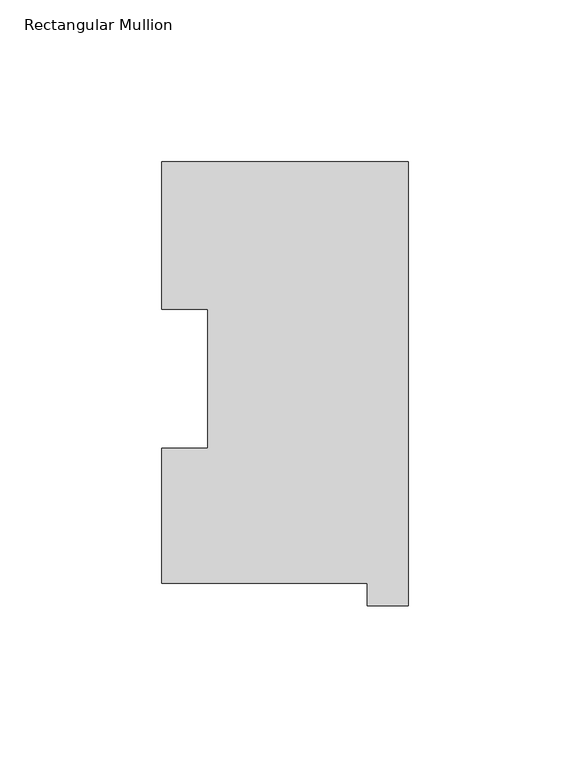
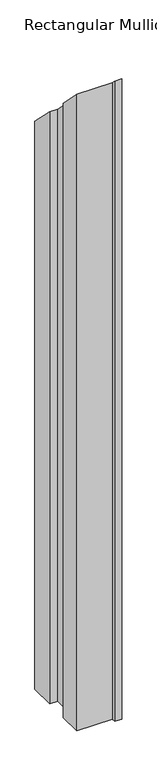
"""IFC4 building model written with IfcOpenShell, lengths in millimetres: member geometry, Rectangular Mullion."""

from ifc_helpers import new_model, si_unit, origin, place, context, project, spatial, faceted_brep, source, transform, mapped, element, save


def rectangular_mullion_71434218(model_context):
    return source(origin(), model_context, "Body", "Brep", [
        faceted_brep([(-76.2, 130.56235, -1206.50635), (0.0, 130.56235, -1206.50635), (0.0, -6.64845, -1206.50635), (-12.7, -6.64845, -1206.50635), (-12.7, 0.26035, -1206.50635), (-76.2, 0.26035, -1206.50635), (-76.2, 42.0485036, -1206.50635), (-61.9101579, 42.0485036, -1206.50635), (-61.9101579, 84.93125, -1206.50635), (-76.2, 84.93125, -1206.50635), (-76.2, 84.93125, -84.93125), (-76.2, 130.56235, -130.56235), (-61.9101579, 84.93125, -84.93125), (-61.9101579, 42.0485036, -42.0485036), (-76.2, 42.0485036, -42.0485036), (-76.2, 0.26035, -0.26035), (-12.7, 0.26035, -0.26035), (-12.7, -6.64845, 6.64845), (0.0, -6.64845, 6.64845), (0.0, 130.56235, -130.56235)], [[[0, 1, 2, 3, 4, 5, 6, 7, 8, 9]], [[10, 11, 0, 9]], [[12, 10, 9, 8]], [[13, 12, 8, 7]], [[14, 13, 7, 6]], [[15, 14, 6, 5]], [[16, 15, 5, 4]], [[17, 16, 4, 3]], [[18, 17, 3, 2]], [[19, 18, 2, 1]], [[11, 19, 1, 0]], [[11, 10, 12, 13, 14, 15, 16, 17, 18, 19]]]),
    ])


if __name__ == "__main__":
    model = new_model("IFC4")
    model_context = context("Model", 3, world=origin())
    ifc_project = project(units=[si_unit("LENGTHUNIT", "METRE", prefix="MILLI")], contexts=[model_context])
    site = spatial("IfcSite", under=ifc_project)
    building = spatial("IfcBuilding", under=site)
    placement = place(None, origin())
    rectangular_mullion_shape = rectangular_mullion_71434218(model_context)
    element("IfcMember", 1, ObjectType="Rectangular Mullion", at=placement, inside=building, context=model_context, shape_type="MappedRepresentation", body=[
        mapped(rectangular_mullion_shape, transform((0.0, 0.0, 0.0), x_axis=(1.0, 0.0, 0.0), y_axis=(0.0, 1.0, 0.0), z_axis=(0.0, 0.0, 1.0))),
    ])
    save(model, "model.ifc")
